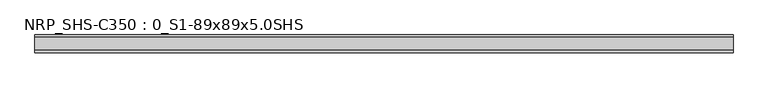
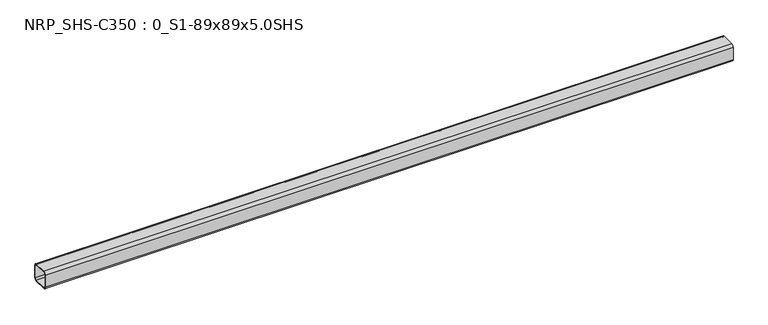
"""IFC4 building model written with IfcOpenShell, lengths in millimetres: beam geometry, NRP_SHS-C350 : 0_S1-89x89x5.0SHS."""

from ifc_helpers import new_model, si_unit, point, frame, frame_2d, origin, place, context, project, spatial, polyline, circle_curve, trimmed, segment, composite_curve, outline, extrude, source, transform, mapped, element, save


def nrp_shs_c350_0_s1_89x89x5_0shs_6d124981(model_context):
    return source(origin(), model_context, "Body", "SweptSolid", [
        extrude(outline(composite_curve([segment(trimmed(circle_curve(frame_2d((-32.0, 32.0)), 12.5), [point((-44.5, 32.0))], [point((-32.0, 44.5))], False, "CARTESIAN"), True, "CONTINUOUS"), segment(polyline([(-32.0, 44.5), (32.0, 44.5)]), True, "CONTINUOUS"), segment(trimmed(circle_curve(frame_2d((32.0, 32.0)), 12.5), [point((32.0, 44.5))], [point((44.5, 32.0))], False, "CARTESIAN"), True, "CONTINUOUS"), segment(polyline([(44.5, 32.0), (44.5, -32.0)]), True, "CONTINUOUS"), segment(trimmed(circle_curve(frame_2d((32.0, -32.0)), 12.5), [point((44.5, -32.0))], [point((32.0, -44.5))], False, "CARTESIAN"), True, "CONTINUOUS"), segment(polyline([(32.0, -44.5), (-32.0, -44.5)]), True, "CONTINUOUS"), segment(trimmed(circle_curve(frame_2d((-32.0, -32.0)), 12.5), [point((-32.0, -44.5))], [point((-44.5, -32.0))], False, "CARTESIAN"), True, "CONTINUOUS"), segment(polyline([(-44.5, -32.0), (-44.5, 32.0)]), True, "CONTINUOUS")], self_intersect=False), holes=[composite_curve([segment(polyline([(32.0, 39.5), (-32.0, 39.5)]), True, "CONTINUOUS"), segment(trimmed(circle_curve(frame_2d((-32.0, 32.0)), 7.5), [point((-32.0, 39.5))], [point((-39.5, 32.0))], True, "CARTESIAN"), True, "CONTINUOUS"), segment(polyline([(-39.5, 32.0), (-39.5, -32.0)]), True, "CONTINUOUS"), segment(trimmed(circle_curve(frame_2d((-32.0, -32.0)), 7.5), [point((-39.5, -32.0))], [point((-32.0, -39.5))], True, "CARTESIAN"), True, "CONTINUOUS"), segment(polyline([(-32.0, -39.5), (32.0, -39.5)]), True, "CONTINUOUS"), segment(trimmed(circle_curve(frame_2d((32.0, -32.0)), 7.5), [point((32.0, -39.5))], [point((39.5, -32.0))], True, "CARTESIAN"), True, "CONTINUOUS"), segment(polyline([(39.5, -32.0), (39.5, 32.0)]), True, "CONTINUOUS"), segment(trimmed(circle_curve(frame_2d((32.0, 32.0)), 7.5), [point((39.5, 32.0))], [point((32.0, 39.5))], True, "CARTESIAN"), True, "CONTINUOUS")], self_intersect=False)]), frame((-1725.0, 0.0, 0.0), z_axis=(1.0, 0.0, 0.0), x_axis=(0.0, 1.0, 0.0)), (0.0, 0.0, 1.0), 3435.0),
    ])


if __name__ == "__main__":
    model = new_model("IFC4")
    model_context = context("Model", 3, world=origin())
    ifc_project = project(units=[si_unit("LENGTHUNIT", "METRE", prefix="MILLI")], contexts=[model_context])
    site = spatial("IfcSite", under=ifc_project)
    building = spatial("IfcBuilding", under=site)
    placement = place(None, origin())
    nrp_shs_c350_0_s1_89x89x5_0shs_shape = nrp_shs_c350_0_s1_89x89x5_0shs_6d124981(model_context)
    element("IfcBeam", 1, ObjectType="NRP_SHS-C350 : 0_S1-89x89x5.0SHS", at=placement, inside=building, context=model_context, shape_type="MappedRepresentation", body=[
        mapped(nrp_shs_c350_0_s1_89x89x5_0shs_shape, transform((0.0, 0.0, 0.0), x_axis=(1.0, 0.0, 0.0), y_axis=(0.0, 1.0, 0.0), z_axis=(0.0, 0.0, 1.0))),
    ])
    save(model, "model.ifc")
